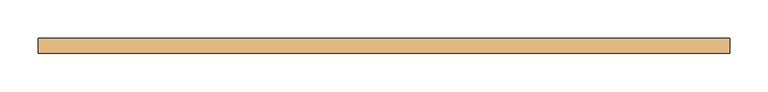
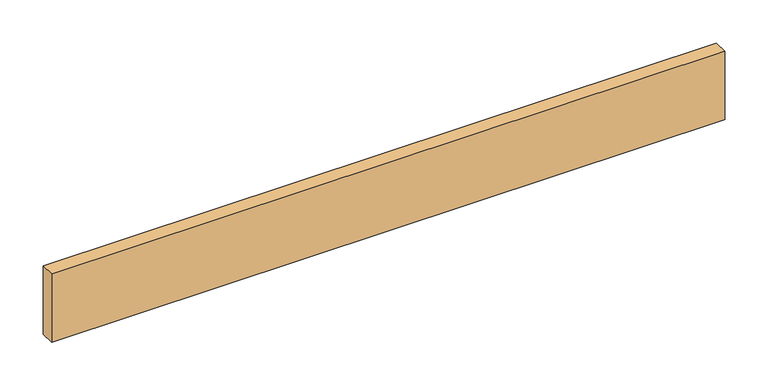
"""IFC4 building model written with IfcOpenShell, lengths in millimetres: door geometry."""

from ifc_helpers import new_model, si_unit, origin, origin_with_axes, place, context, project, spatial, polyline, outline, extrude, source, transform, mapped, element, save


def door_8b449abe(model_context):
    return source(origin(), model_context, "Body", "SweptSolid", [
        extrude(outline(polyline([(448.9704, 0.0), (448.9704, -19.05), (-448.9704, -19.05), (-448.9704, 0.0), (448.9704, 0.0)])), origin_with_axes(), (0.0, 0.0, 1.0), 96.52),
    ])


if __name__ == "__main__":
    model = new_model("IFC4")
    model_context = context("Model", 3, world=origin())
    ifc_project = project(units=[si_unit("LENGTHUNIT", "METRE", prefix="MILLI")], contexts=[model_context])
    site = spatial("IfcSite", under=ifc_project)
    building = spatial("IfcBuilding", under=site)
    placement = place(None, origin())
    door_shape = door_8b449abe(model_context)
    element("IfcDoor", 1, at=placement, inside=building, context=model_context, shape_type="MappedRepresentation", body=[
        mapped(door_shape, transform((0.0, 0.0, 0.0), x_axis=(1.0, 0.0, 0.0), y_axis=(0.0, 1.0, 0.0), z_axis=(0.0, 0.0, 1.0))),
    ])
    save(model, "model.ifc")
